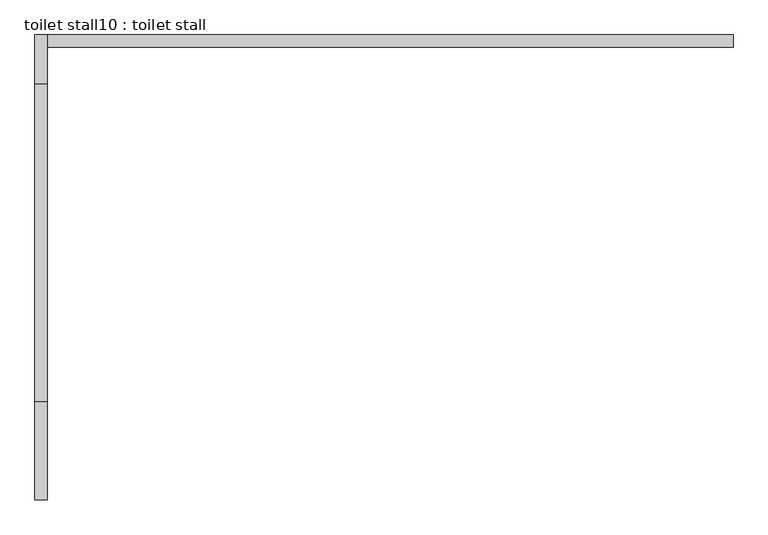
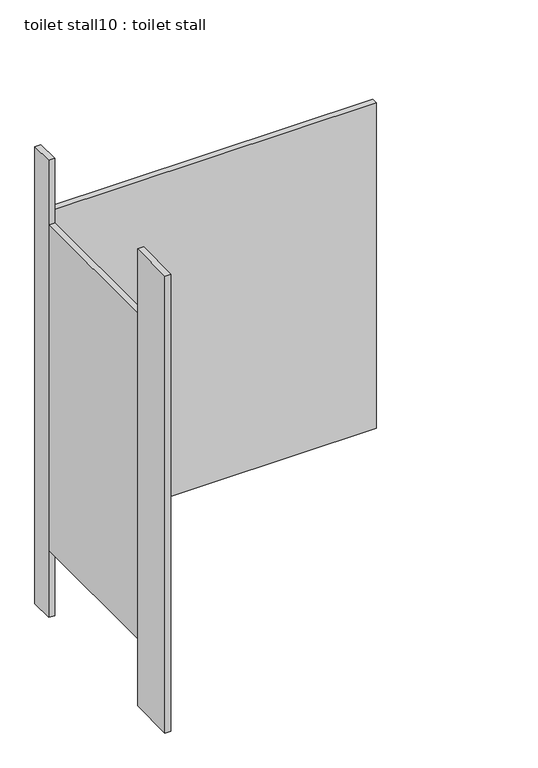
"""IFC4 building model written with IfcOpenShell, lengths in millimetres: proxy geometry, toilet stall10 : toilet stall."""

from ifc_helpers import new_model, si_unit, frame, origin, origin_with_axes, place, context, project, spatial, polyline, outline, extrude, source, transform, mapped, element, save


def toilet_stall10_toilet_stall_fe324809(model_context):
    return source(origin(), model_context, "Body", "SweptSolid", [
        extrude(outline(polyline([(457706.2004676, -332102.6330223), (457706.2004676, -332305.8330223), (457680.8004676, -332305.8330223), (457680.8004676, -332102.6330223), (457706.2004676, -332102.6330223)])), origin_with_axes(), (0.0, 0.0, 1.0), 2070.1),
        extrude(outline(polyline([(457706.2004676, -331340.6330223), (457706.2004676, -331442.2330223), (457680.8004676, -331442.2330223), (457680.8004676, -331340.6330223), (457706.2004676, -331340.6330223)])), origin_with_axes(), (0.0, 0.0, 1.0), 2070.1),
        extrude(outline(polyline([(457706.2004676, -331340.6330223), (459128.6004676, -331340.6330223), (459128.6004676, -331366.0330223), (457706.2004676, -331366.0330223), (457706.2004676, -331340.6330223)])), frame((0.0, 0.0, 304.8), z_axis=(0.0, 0.0, 1.0), x_axis=(1.0, 0.0, 0.0)), (0.0, 0.0, 1.0), 1473.2),
        extrude(outline(polyline([(457706.2004676, -331442.2330223), (457706.2004676, -332102.6330223), (457680.8004676, -332102.6330223), (457680.8004676, -331442.2330223), (457706.2004676, -331442.2330223)])), frame((0.0, 0.0, 304.8), z_axis=(0.0, 0.0, 1.0), x_axis=(1.0, 0.0, 0.0)), (0.0, 0.0, 1.0), 1473.2),
    ])


if __name__ == "__main__":
    model = new_model("IFC4")
    model_context = context("Model", 3, world=origin())
    ifc_project = project(units=[si_unit("LENGTHUNIT", "METRE", prefix="MILLI")], contexts=[model_context])
    site = spatial("IfcSite", under=ifc_project)
    building = spatial("IfcBuilding", under=site)
    placement = place(None, origin())
    toilet_stall10_toilet_stall_shape = toilet_stall10_toilet_stall_fe324809(model_context)
    element("IfcBuildingElementProxy", 1, Name="toilet stall10 : toilet stall", ObjectType="toilet stall10 : toilet stall", at=placement, inside=building, context=model_context, shape_type="MappedRepresentation", body=[
        mapped(toilet_stall10_toilet_stall_shape, transform((0.0, 0.0, 0.0), x_axis=(1.0, 0.0, 0.0), y_axis=(0.0, 1.0, 0.0), z_axis=(0.0, 0.0, 1.0))),
    ])
    save(model, "model.ifc")
